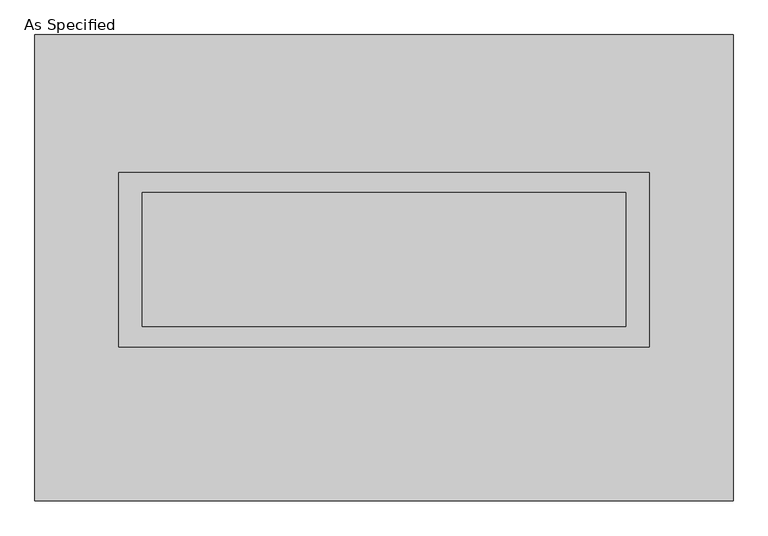
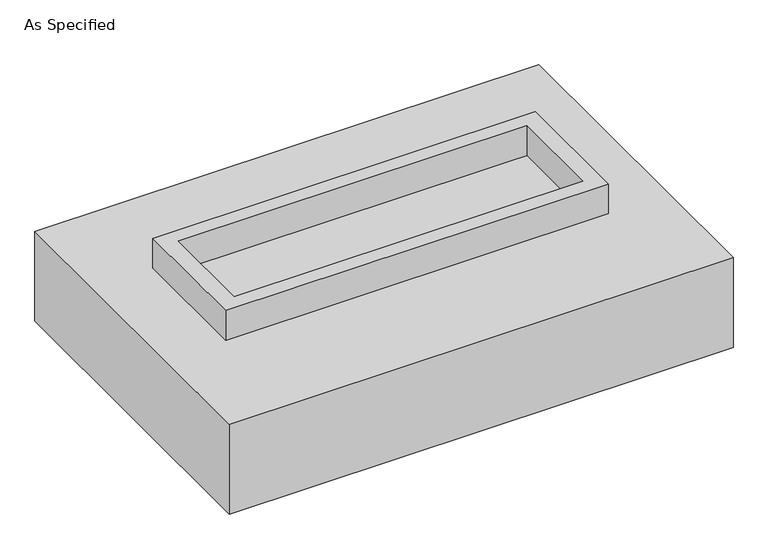
"""IFC4 building model written with IfcOpenShell, lengths in millimetres: proxy geometry, As Specified."""

from ifc_helpers import new_model, si_unit, frame, origin, place, context, project, spatial, polyline, outline, extrude, faceted_brep, source, transform, mapped, element, save


def as_specified_7c598769(model_context):
    return source(origin(), model_context, "Body", "SolidModel", [
        extrude(outline(polyline([(1003.3, 361.95), (1003.3, -298.45), (-1003.3, -298.45), (-1003.3, 361.95), (1003.3, 361.95)]), holes=[polyline([(914.4, 285.75), (-914.4, 285.75), (-914.4, -222.25), (914.4, -222.25), (914.4, 285.75)])]), frame((0.0, 0.0, -25.4), z_axis=(0.0, 0.0, 1.0), x_axis=(1.0, 0.0, 0.0)), (0.0, 0.0, 1.0), 165.1),
        extrude(outline(polyline([(914.4, 285.75), (914.4, -222.25), (-914.4, -222.25), (-914.4, 285.75), (914.4, 285.75)])), frame((0.0, 0.0, -30.3609375), z_axis=(0.0, 0.0, 1.0), x_axis=(1.0, 0.0, 0.0)), (0.0, 0.0, 1.0), 4.9609375),
        faceted_brep([(1320.8, -882.65, -523.875), (-1320.8, -882.65, -523.875), (-1320.8, 882.65, -523.875), (1320.8, 882.65, -523.875), (1320.8, 882.65, -25.4), (-1320.8, 882.65, -25.4), (-1320.8, -882.65, -25.4), (1320.8, -882.65, -25.4), (1003.3, 361.95, -25.4), (1003.3, -298.45, -25.4), (-1003.3, -298.45, -25.4), (-1003.3, 361.95, -25.4), (1003.3, 361.95, -498.475), (-1003.3, 361.95, -498.475), (-1003.3, -298.45, -498.475), (1003.3, -298.45, -498.475)], [[[0, 1, 2, 3]], [[4, 5, 6, 7], [8, 9, 10, 11]], [[3, 2, 5, 4]], [[2, 1, 6, 5]], [[0, 3, 4, 7]], [[12, 13, 14, 15]], [[14, 13, 11, 10]], [[13, 12, 8, 11]], [[12, 15, 9, 8]], [[10, 9, 15, 14]], [[1, 0, 7, 6]]]),
    ])


if __name__ == "__main__":
    model = new_model("IFC4")
    model_context = context("Model", 3, world=origin())
    ifc_project = project(units=[si_unit("LENGTHUNIT", "METRE", prefix="MILLI")], contexts=[model_context])
    site = spatial("IfcSite", under=ifc_project)
    building = spatial("IfcBuilding", under=site)
    placement = place(None, origin())
    as_specified_shape = as_specified_7c598769(model_context)
    element("IfcBuildingElementProxy", 1, Name="As Specified", ObjectType="As Specified", at=placement, inside=building, context=model_context, shape_type="MappedRepresentation", body=[
        mapped(as_specified_shape, transform((0.0, 0.0, 0.0), x_axis=(1.0, 0.0, 0.0), y_axis=(0.0, 1.0, 0.0), z_axis=(0.0, 0.0, 1.0))),
    ])
    save(model, "model.ifc")
